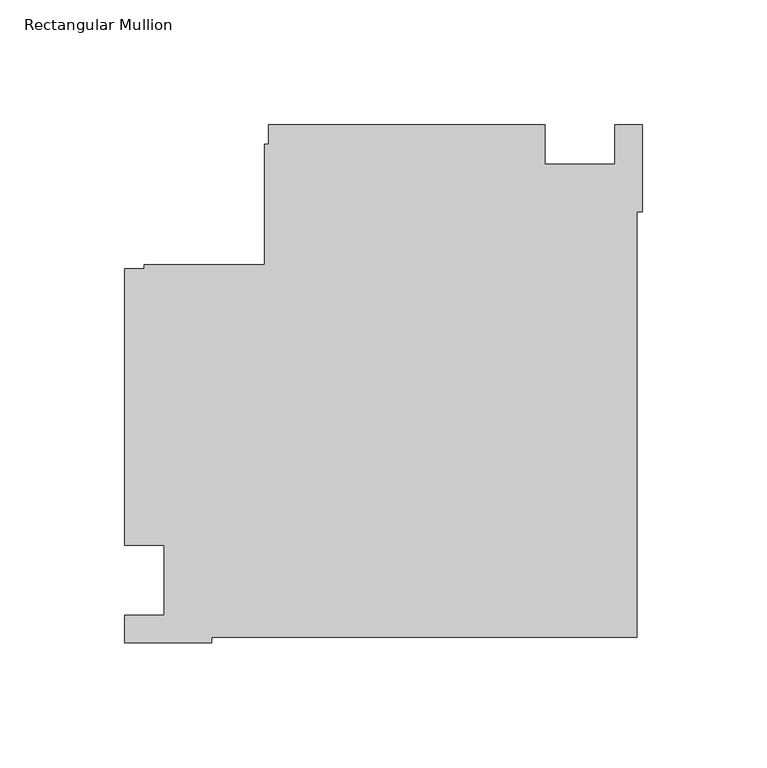
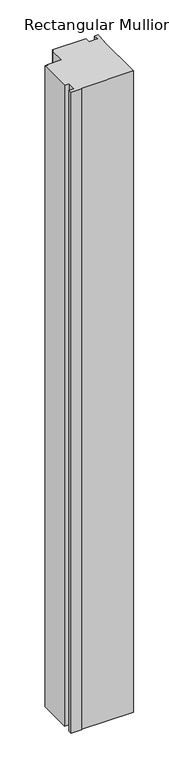
"""IFC4 building model written with IfcOpenShell, lengths in millimetres: member geometry, Rectangular Mullion."""

from ifc_helpers import new_model, si_unit, frame, origin, place, context, project, spatial, polyline, outline, extrude, source, transform, mapped, element, save


def rectangular_mullion_50f02f8c(model_context):
    return source(origin(), model_context, "Body", "SweptSolid", [
        extrude(outline(polyline([(-38.9998882, 182.9914777), (-38.9998882, 166.9914777), (-10.996264, 166.9914777), (-10.996264, 183.0000001), (0.0, 183.0000001), (0.0, 147.9999738), (-2.0852141, 147.9999738), (-2.0852141, -22.9147834), (-172.9999713, -22.9147834), (-172.9999713, -25.0), (-207.9999976, -25.0), (-207.9999976, -13.9997041), (-191.9999976, -13.9997041), (-191.9999976, 13.9998907), (-207.9999976, 13.9998907), (-207.9999976, 125.0000025), (-200.0, 125.0000025), (-200.0, 126.6000025), (-151.6, 126.6000025), (-151.6, 175.0000025), (-150.0, 175.0000025), (-150.0, 182.9914777), (-38.9998882, 182.9914777)])), frame((0.0, 0.0, -2232.0199255), z_axis=(0.0, 0.0, 1.0), x_axis=(1.0, 0.0, 0.0)), (0.0, 0.0, 1.0), 2232.0199255),
    ])


if __name__ == "__main__":
    model = new_model("IFC4")
    model_context = context("Model", 3, world=origin())
    ifc_project = project(units=[si_unit("LENGTHUNIT", "METRE", prefix="MILLI")], contexts=[model_context])
    site = spatial("IfcSite", under=ifc_project)
    building = spatial("IfcBuilding", under=site)
    placement = place(None, origin())
    rectangular_mullion_shape = rectangular_mullion_50f02f8c(model_context)
    element("IfcMember", 1, ObjectType="Rectangular Mullion", at=placement, inside=building, context=model_context, shape_type="MappedRepresentation", body=[
        mapped(rectangular_mullion_shape, transform((0.0, 0.0, 0.0), x_axis=(1.0, 0.0, 0.0), y_axis=(0.0, 1.0, 0.0), z_axis=(0.0, 0.0, 1.0))),
    ])
    save(model, "model.ifc")
